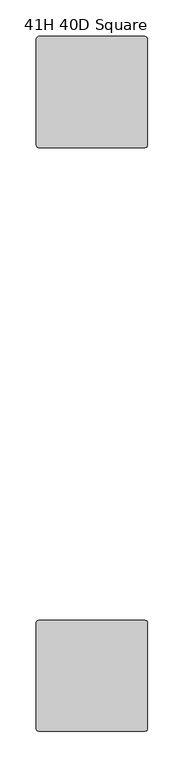
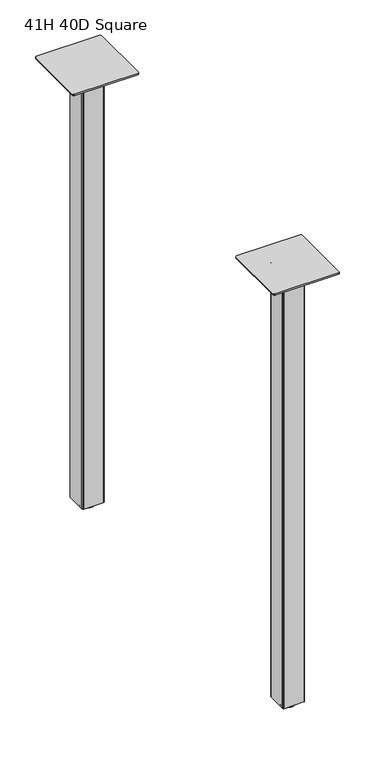
"""IFC4 building model written with IfcOpenShell, lengths in millimetres: furniture geometry, 41H 40D Square."""

from ifc_helpers import new_model, si_unit, frame, origin, place, context, project, spatial, polyline, circle_curve, outline, extrude, source, transform, mapped, element, save
from ifc_brep_helpers import plane_surface, cylinder_surface, revolved_surface, advanced_brep


def furniture_41h_40d_square_4cf0677a(model_context):
    return source(origin(), model_context, "Body", "SolidModel", [
        extrude(outline(polyline([(82.5508751, -130.809957), (82.5508751, -85.0899643), (83.2948249, -83.2939256), (85.0907849, -82.550003), (130.8109622, -82.550003), (132.6069222, -83.2939256), (133.350872, -85.0899643), (133.350872, -130.809957), (132.6069222, -132.606032), (130.8107429, -133.3500091), (85.0910042, -133.3500091), (83.2948249, -132.606032), (82.5508751, -130.809957)])), frame((0.0, 0.0, 10.1608624), z_axis=(0.0, 0.0, 1.0), x_axis=(1.0, 0.0, 0.0)), (0.0, 0.0, 1.0), 1054.227),
        extrude(outline(polyline([(82.5508751, -930.9099865), (82.5508751, -885.1899938), (83.2948249, -883.3939552), (85.0907849, -882.6500326), (130.8109622, -882.6500326), (132.6069222, -883.3939552), (133.350872, -885.1899938), (133.350872, -930.9099865), (132.6069222, -932.7060615), (130.8107429, -933.4500386), (85.0910042, -933.4500386), (83.2948249, -932.7060615), (82.5508751, -930.9099865)])), frame((0.0, 0.0, 10.1608624), z_axis=(0.0, 0.0, 1.0), x_axis=(1.0, 0.0, 0.0)), (0.0, 0.0, 1.0), 1054.227),
        extrude(outline(polyline([(31.7508849, -834.8980259), (32.6436243, -832.7427636), (34.7988843, -831.8500265), (181.102881, -831.8500265), (183.2581455, -832.7427636), (184.1508781, -834.8980259), (184.1508781, -981.2020271), (183.2581455, -983.3572917), (181.1029194, -984.2500083), (34.7988459, -984.2500083), (32.6436243, -983.3572917), (31.7508849, -981.2020271), (31.7508849, -834.8980259)])), frame((0.0, 0.0, 1064.3878623), z_axis=(0.0, 0.0, 1.0), x_axis=(1.0, 0.0, 0.0)), (0.0, 0.0, 1.0), 3.048),
        advanced_brep(
        [(107.9508872, -908.0500356, 11.1759893), (119.1268856, -908.0500356, 11.1759893), (96.7748888, -908.0500356, 11.1759893), (95.2064298, -908.0500356, 0.0), (120.6953446, -908.0500356, 0.0), (107.9508872, -908.0500356, 0.0), (92.111765, -908.0500356, 0.4083326), (123.7900094, -908.0500356, 0.4083326), (90.7852289, -908.0500356, 2.0055462), (125.1165454, -908.0500356, 2.0055462), (90.7852289, -908.0500356, 4.3444296), (125.1165454, -908.0500356, 4.3444296), (92.111765, -908.0500356, 5.9416431), (123.7900094, -908.0500356, 5.9416431), (93.6849338, -908.0500356, 6.3499758), (122.2168405, -908.0500356, 6.3499758), (96.7748888, -908.0500356, 6.3499758), (119.1268856, -908.0500356, 6.3499758)],
        [
            (0, 1),
            (1, 2, circle_curve(frame((107.9508872, -908.0500356, 11.1759893), z_axis=(0.0, 0.0, 1.0), x_axis=(1.0, 0.0, 0.0)), 11.1759984)),
            (2, 0),
            (2, 1, circle_curve(frame((107.9508872, -908.0500356, 11.1759893), z_axis=(0.0, 0.0, 1.0), x_axis=(1.0, 0.0, 0.0)), 11.1759984)),
            (3, 4, circle_curve(frame((107.9508872, -908.0500356, 0.0), z_axis=(0.0, 0.0, -1.0), x_axis=(1.0, 0.0, 0.0)), 12.7444574)),
            (4, 5),
            (5, 3),
            (4, 3, circle_curve(frame((107.9508872, -908.0500356, 0.0), z_axis=(0.0, 0.0, -1.0), x_axis=(1.0, 0.0, 0.0)), 12.7444574)),
            (6, 7, circle_curve(frame((107.9508872, -908.0500356, 0.4083326), z_axis=(0.0, 0.0, -1.0), x_axis=(1.0, 0.0, 0.0)), 15.8391222)),
            (7, 4),
            (3, 6),
            (7, 6, circle_curve(frame((107.9508872, -908.0500356, 0.4083326), z_axis=(0.0, 0.0, -1.0), x_axis=(1.0, 0.0, 0.0)), 15.8391222)),
            (8, 9, circle_curve(frame((107.9508872, -908.0500356, 2.0055462), z_axis=(0.0, 0.0, -1.0), x_axis=(1.0, 0.0, 0.0)), 17.1656583)),
            (9, 7),
            (6, 8),
            (9, 8, circle_curve(frame((107.9508872, -908.0500356, 2.0055462), z_axis=(0.0, 0.0, -1.0), x_axis=(1.0, 0.0, 0.0)), 17.1656583)),
            (10, 11, circle_curve(frame((107.9508872, -908.0500356, 4.3444296), z_axis=(0.0, 0.0, -1.0), x_axis=(1.0, 0.0, 0.0)), 17.1656583)),
            (11, 9),
            (8, 10),
            (11, 10, circle_curve(frame((107.9508872, -908.0500356, 4.3444296), z_axis=(0.0, 0.0, -1.0), x_axis=(1.0, 0.0, 0.0)), 17.1656583)),
            (12, 13, circle_curve(frame((107.9508872, -908.0500356, 5.9416431), z_axis=(0.0, 0.0, -1.0), x_axis=(1.0, 0.0, 0.0)), 15.8391222)),
            (13, 11),
            (10, 12),
            (13, 12, circle_curve(frame((107.9508872, -908.0500356, 5.9416431), z_axis=(0.0, 0.0, -1.0), x_axis=(1.0, 0.0, 0.0)), 15.8391222)),
            (14, 15, circle_curve(frame((107.9508872, -908.0500356, 6.3499758), z_axis=(0.0, 0.0, -1.0), x_axis=(1.0, 0.0, 0.0)), 14.2659534)),
            (15, 13),
            (12, 14),
            (15, 14, circle_curve(frame((107.9508872, -908.0500356, 6.3499758), z_axis=(0.0, 0.0, -1.0), x_axis=(1.0, 0.0, 0.0)), 14.2659534)),
            (16, 17, circle_curve(frame((107.9508872, -908.0500356, 6.3499758), z_axis=(0.0, 0.0, -1.0), x_axis=(1.0, 0.0, 0.0)), 11.1759984)),
            (17, 15),
            (14, 16),
            (17, 16, circle_curve(frame((107.9508872, -908.0500356, 6.3499758), z_axis=(0.0, 0.0, -1.0), x_axis=(1.0, 0.0, 0.0)), 11.1759984)),
            (1, 17),
            (16, 2),
        ],
        [
            plane_surface(frame((107.9508872, -908.0500356, 11.1759893), z_axis=(0.0, 0.0, 1.0), x_axis=(1.0, 0.0, 0.0))),
            plane_surface(frame((107.9508872, -908.0500356, 0.0), z_axis=(0.0, 0.0, -1.0), x_axis=(1.0, 0.0, 0.0))),
            revolved_surface(polyline([(120.6953446, -908.0500356, 0.0), (123.7900094, -908.0500356, 0.4083326)]), (107.9508872, -908.0500356, 11.1759893), (0.0, 0.0, 1.0)),
            revolved_surface(polyline([(123.7900094, -908.0500356, 0.4083326), (125.1165454, -908.0500356, 2.0055462)]), (107.9508872, -908.0500356, 11.1759893), (0.0, 0.0, 1.0)),
            cylinder_surface(frame((107.9508872, -908.0500356, 11.1759893), z_axis=(0.0, 0.0, 1.0), x_axis=(1.0, 0.0, 0.0)), 17.1656583),
            revolved_surface(polyline([(125.1165454, -908.0500356, 4.3444296), (123.7900094, -908.0500356, 5.9416431)]), (107.9508872, -908.0500356, 11.1759893), (0.0, 0.0, 1.0)),
            revolved_surface(polyline([(123.7900094, -908.0500356, 5.9416431), (122.2168405, -908.0500356, 6.3499758)]), (107.9508872, -908.0500356, 11.1759893), (0.0, 0.0, 1.0)),
            plane_surface(frame((107.9508872, -908.0500356, 6.3499758), z_axis=(0.0, 0.0, 1.0), x_axis=(1.0, 0.0, 0.0))),
            cylinder_surface(frame((107.9508872, -908.0500356, 11.1759893), z_axis=(0.0, 0.0, 1.0), x_axis=(1.0, 0.0, 0.0)), 11.1759984),
        ],
        [
            (0, [[1, 2, 3]]),
            (0, [[-3, 4, -1]]),
            (1, [[5, 6, 7]]),
            (1, [[8, -7, -6]]),
            (2, [[9, 10, -5, 11]]),
            (2, [[12, -11, -8, -10]]),
            (3, [[13, 14, -9, 15]]),
            (3, [[16, -15, -12, -14]]),
            (4, [[17, 18, -13, 19]]),
            (4, [[20, -19, -16, -18]]),
            (5, [[21, 22, -17, 23]]),
            (5, [[24, -23, -20, -22]]),
            (6, [[25, 26, -21, 27]]),
            (6, [[28, -27, -24, -26]]),
            (7, [[29, 30, -25, 31]]),
            (7, [[32, -31, -28, -30]]),
            (8, [[-2, 33, -29, 34]]),
            (8, [[-4, -34, -32, -33]]),
        ],
    ),
        advanced_brep(
        [(107.9508872, -107.9500061, 11.1759893), (119.1268856, -107.9500061, 11.1759893), (96.7748888, -107.9500061, 11.1759893), (95.2064298, -107.9500061, 0.0), (120.6953446, -107.9500061, 0.0), (107.9508872, -107.9500061, 0.0), (92.111765, -107.9500061, 0.4083326), (123.7900094, -107.9500061, 0.4083326), (90.7852289, -107.9500061, 2.0055462), (125.1165454, -107.9500061, 2.0055462), (90.7852289, -107.9500061, 4.3444296), (125.1165454, -107.9500061, 4.3444296), (92.111765, -107.9500061, 5.9416431), (123.7900094, -107.9500061, 5.9416431), (93.6849338, -107.9500061, 6.3499758), (122.2168405, -107.9500061, 6.3499758), (96.7748888, -107.9500061, 6.3499758), (119.1268856, -107.9500061, 6.3499758)],
        [
            (0, 1),
            (1, 2, circle_curve(frame((107.9508872, -107.9500061, 11.1759893), z_axis=(0.0, 0.0, 1.0), x_axis=(1.0, 0.0, 0.0)), 11.1759984)),
            (2, 0),
            (2, 1, circle_curve(frame((107.9508872, -107.9500061, 11.1759893), z_axis=(0.0, 0.0, 1.0), x_axis=(1.0, 0.0, 0.0)), 11.1759984)),
            (3, 4, circle_curve(frame((107.9508872, -107.9500061, 0.0), z_axis=(0.0, 0.0, -1.0), x_axis=(1.0, 0.0, 0.0)), 12.7444574)),
            (4, 5),
            (5, 3),
            (4, 3, circle_curve(frame((107.9508872, -107.9500061, 0.0), z_axis=(0.0, 0.0, -1.0), x_axis=(1.0, 0.0, 0.0)), 12.7444574)),
            (6, 7, circle_curve(frame((107.9508872, -107.9500061, 0.4083326), z_axis=(0.0, 0.0, -1.0), x_axis=(1.0, 0.0, 0.0)), 15.8391222)),
            (7, 4),
            (3, 6),
            (7, 6, circle_curve(frame((107.9508872, -107.9500061, 0.4083326), z_axis=(0.0, 0.0, -1.0), x_axis=(1.0, 0.0, 0.0)), 15.8391222)),
            (8, 9, circle_curve(frame((107.9508872, -107.9500061, 2.0055462), z_axis=(0.0, 0.0, -1.0), x_axis=(1.0, 0.0, 0.0)), 17.1656583)),
            (9, 7),
            (6, 8),
            (9, 8, circle_curve(frame((107.9508872, -107.9500061, 2.0055462), z_axis=(0.0, 0.0, -1.0), x_axis=(1.0, 0.0, 0.0)), 17.1656583)),
            (10, 11, circle_curve(frame((107.9508872, -107.9500061, 4.3444296), z_axis=(0.0, 0.0, -1.0), x_axis=(1.0, 0.0, 0.0)), 17.1656583)),
            (11, 9),
            (8, 10),
            (11, 10, circle_curve(frame((107.9508872, -107.9500061, 4.3444296), z_axis=(0.0, 0.0, -1.0), x_axis=(1.0, 0.0, 0.0)), 17.1656583)),
            (12, 13, circle_curve(frame((107.9508872, -107.9500061, 5.9416431), z_axis=(0.0, 0.0, -1.0), x_axis=(1.0, 0.0, 0.0)), 15.8391222)),
            (13, 11),
            (10, 12),
            (13, 12, circle_curve(frame((107.9508872, -107.9500061, 5.9416431), z_axis=(0.0, 0.0, -1.0), x_axis=(1.0, 0.0, 0.0)), 15.8391222)),
            (14, 15, circle_curve(frame((107.9508872, -107.9500061, 6.3499758), z_axis=(0.0, 0.0, -1.0), x_axis=(1.0, 0.0, 0.0)), 14.2659534)),
            (15, 13),
            (12, 14),
            (15, 14, circle_curve(frame((107.9508872, -107.9500061, 6.3499758), z_axis=(0.0, 0.0, -1.0), x_axis=(1.0, 0.0, 0.0)), 14.2659534)),
            (16, 17, circle_curve(frame((107.9508872, -107.9500061, 6.3499758), z_axis=(0.0, 0.0, -1.0), x_axis=(1.0, 0.0, 0.0)), 11.1759984)),
            (17, 15),
            (14, 16),
            (17, 16, circle_curve(frame((107.9508872, -107.9500061, 6.3499758), z_axis=(0.0, 0.0, -1.0), x_axis=(1.0, 0.0, 0.0)), 11.1759984)),
            (1, 17),
            (16, 2),
        ],
        [
            plane_surface(frame((107.9508872, -107.9500061, 11.1759893), z_axis=(0.0, 0.0, 1.0), x_axis=(1.0, 0.0, 0.0))),
            plane_surface(frame((107.9508872, -107.9500061, 0.0), z_axis=(0.0, 0.0, -1.0), x_axis=(1.0, 0.0, 0.0))),
            revolved_surface(polyline([(120.6953446, -107.9500061, 0.0), (123.7900094, -107.9500061, 0.4083326)]), (107.9508872, -107.9500061, 11.1759893), (0.0, 0.0, 1.0)),
            revolved_surface(polyline([(123.7900094, -107.9500061, 0.4083326), (125.1165454, -107.9500061, 2.0055462)]), (107.9508872, -107.9500061, 11.1759893), (0.0, 0.0, 1.0)),
            cylinder_surface(frame((107.9508872, -107.9500061, 11.1759893), z_axis=(0.0, 0.0, 1.0), x_axis=(1.0, 0.0, 0.0)), 17.1656583),
            revolved_surface(polyline([(125.1165454, -107.9500061, 4.3444296), (123.7900094, -107.9500061, 5.9416431)]), (107.9508872, -107.9500061, 11.1759893), (0.0, 0.0, 1.0)),
            revolved_surface(polyline([(123.7900094, -107.9500061, 5.9416431), (122.2168405, -107.9500061, 6.3499758)]), (107.9508872, -107.9500061, 11.1759893), (0.0, 0.0, 1.0)),
            plane_surface(frame((107.9508872, -107.9500061, 6.3499758), z_axis=(0.0, 0.0, 1.0), x_axis=(1.0, 0.0, 0.0))),
            cylinder_surface(frame((107.9508872, -107.9500061, 11.1759893), z_axis=(0.0, 0.0, 1.0), x_axis=(1.0, 0.0, 0.0)), 11.1759984),
        ],
        [
            (0, [[1, 2, 3]]),
            (0, [[-3, 4, -1]]),
            (1, [[5, 6, 7]]),
            (1, [[8, -7, -6]]),
            (2, [[9, 10, -5, 11]]),
            (2, [[12, -11, -8, -10]]),
            (3, [[13, 14, -9, 15]]),
            (3, [[16, -15, -12, -14]]),
            (4, [[17, 18, -13, 19]]),
            (4, [[20, -19, -16, -18]]),
            (5, [[21, 22, -17, 23]]),
            (5, [[24, -23, -20, -22]]),
            (6, [[25, 26, -21, 27]]),
            (6, [[28, -27, -24, -26]]),
            (7, [[29, 30, -25, 31]]),
            (7, [[32, -31, -28, -30]]),
            (8, [[-2, 33, -29, 34]]),
            (8, [[-4, -34, -32, -33]]),
        ],
    ),
        extrude(outline(polyline([(31.7508849, -34.7980077), (32.6436243, -32.6427454), (34.7988843, -31.7500083), (181.102881, -31.7500083), (183.2581455, -32.6427454), (184.1508781, -34.7980077), (184.1508781, -181.102009), (183.2581455, -183.2572735), (181.102881, -184.1500061), (34.7988843, -184.1500061), (32.6436243, -183.2572735), (31.7508849, -181.102009), (31.7508849, -34.7980077)])), frame((0.0, 0.0, 1064.3878623), z_axis=(0.0, 0.0, 1.0), x_axis=(1.0, 0.0, 0.0)), (0.0, 0.0, 1.0), 3.048),
    ])


if __name__ == "__main__":
    model = new_model("IFC4")
    model_context = context("Model", 3, world=origin())
    ifc_project = project(units=[si_unit("LENGTHUNIT", "METRE", prefix="MILLI")], contexts=[model_context])
    site = spatial("IfcSite", under=ifc_project)
    building = spatial("IfcBuilding", under=site)
    placement = place(None, origin())
    furniture_41h_40d_square_shape = furniture_41h_40d_square_4cf0677a(model_context)
    element("IfcFurniture", 1, ObjectType="41H 40D Square", at=placement, inside=building, context=model_context, shape_type="MappedRepresentation", body=[
        mapped(furniture_41h_40d_square_shape, transform((0.0, 0.0, 0.0), x_axis=(1.0, 0.0, 0.0), y_axis=(0.0, 1.0, 0.0), z_axis=(0.0, 0.0, 1.0))),
    ])
    save(model, "model.ifc")
